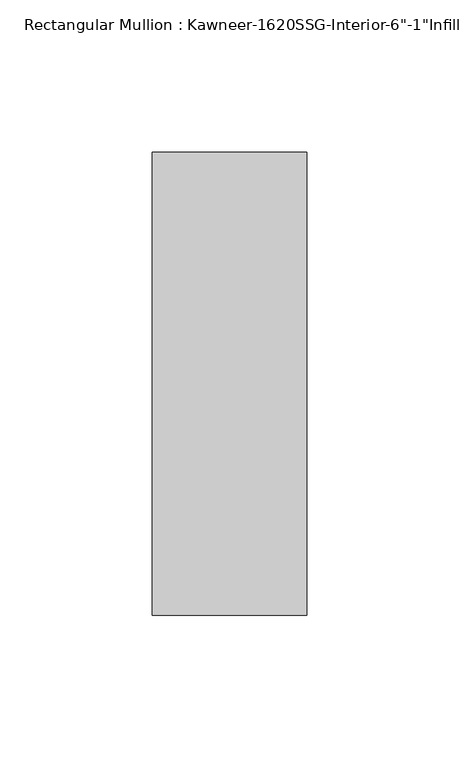
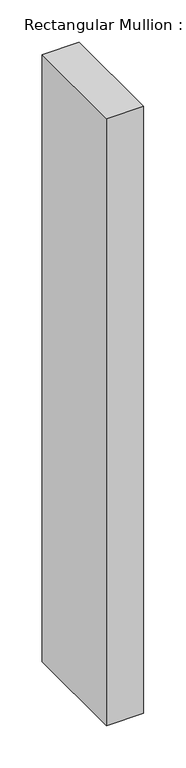
"""IFC4 building model written with IfcOpenShell, lengths in millimetres: member geometry."""

from ifc_helpers import new_model, si_unit, frame, origin, place, context, project, spatial, polyline, outline, extrude, source, transform, mapped, element, save


def member_598e8305(model_context):
    return source(origin(), model_context, "Body", "SweptSolid", [
        extrude(outline(polyline([(25.4, -114.3), (-25.4, -114.3), (-25.4, 38.1), (25.4, 38.1), (25.4, -114.3)])), frame((0.0, 0.0, -876.3), z_axis=(0.0, 0.0, 1.0), x_axis=(1.0, 0.0, 0.0)), (0.0, 0.0, 1.0), 876.3),
    ])


if __name__ == "__main__":
    model = new_model("IFC4")
    model_context = context("Model", 3, world=origin())
    ifc_project = project(units=[si_unit("LENGTHUNIT", "METRE", prefix="MILLI")], contexts=[model_context])
    site = spatial("IfcSite", under=ifc_project)
    building = spatial("IfcBuilding", under=site)
    placement = place(None, origin())
    member_shape = member_598e8305(model_context)
    element("IfcMember", 1, ObjectType="Rectangular Mullion : Kawneer-1620SSG-Interior-6\"-1\"Infill", at=placement, inside=building, context=model_context, shape_type="MappedRepresentation", body=[
        mapped(member_shape, transform((0.0, 0.0, 0.0), x_axis=(1.0, 0.0, 0.0), y_axis=(0.0, 1.0, 0.0), z_axis=(0.0, 0.0, 1.0))),
    ])
    save(model, "model.ifc")
